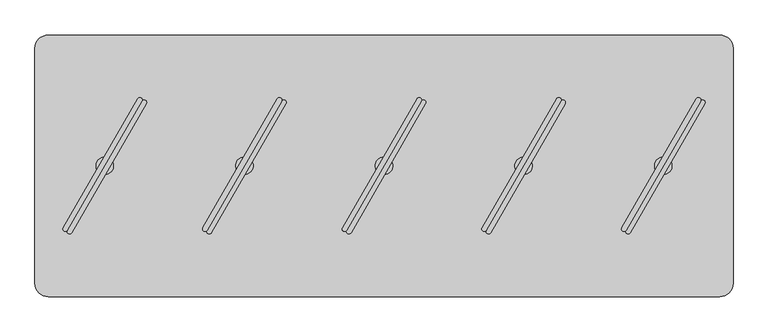
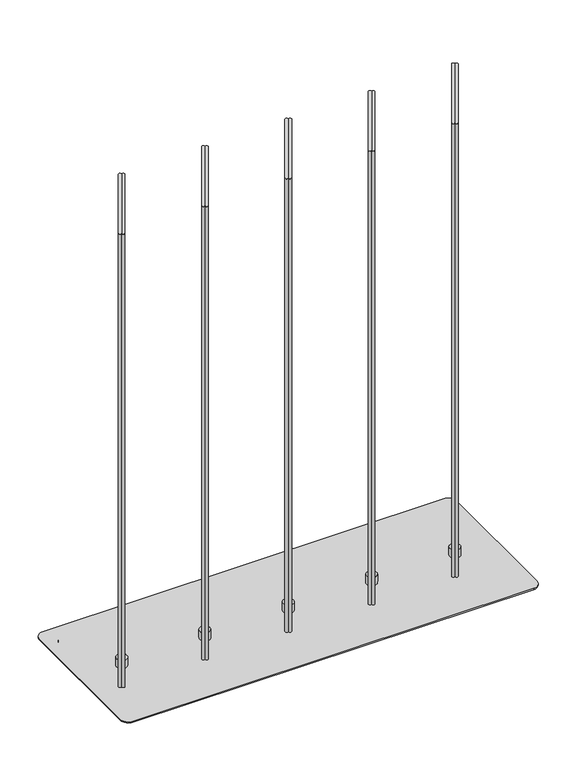
"""IFC4 building model written with IfcOpenShell, lengths in millimetres: furniture geometry."""

from ifc_helpers import new_model, si_unit, point, frame, frame_2d, origin, origin_with_axes, place, context, project, spatial, polyline, circle_curve, trimmed, segment, composite_curve, outline, extrude, source, transform, mapped, element, save
from ifc_brep_helpers import plane_surface, cylinder_surface, advanced_brep


def furniture_2ea4980e(model_context):
    return source(origin(), model_context, "Body", "SolidModel", [
        extrude(outline(composite_curve([segment(polyline([(340.6144903, -160.9427833), (447.2724107, 23.7941539)]), True, "CONTINUOUS"), segment(trimmed(circle_curve(frame_2d((450.3034289, 22.0441947)), 3.4999184), [point((447.2724107, 23.7941539))], [point((453.3344472, 20.2942356))], False, "CARTESIAN"), True, "CONTINUOUS"), segment(polyline([(453.3344472, 20.2942356), (346.6765267, -164.4427017)]), True, "CONTINUOUS"), segment(trimmed(circle_curve(frame_2d((343.6455085, -162.6927425)), 3.4999184), [point((346.6765267, -164.4427017))], [point((340.6144903, -160.9427833))], False, "CARTESIAN"), True, "CONTINUOUS")], self_intersect=False)), frame((0.0, 0.0, 44.4119983), z_axis=(0.0, 0.0, 1.0), x_axis=(1.0, 0.0, 0.0)), (0.0, 0.0, 1.0), 1150.112),
        extrude(outline(composite_curve([segment(trimmed(circle_curve(frame_2d((349.707545, -166.1926609)), 3.4999184), [point((352.7385632, -167.9426201))], [point((346.6765267, -164.4427017))], False, "CARTESIAN"), True, "CONTINUOUS"), segment(polyline([(346.6765267, -164.4427017), (453.3344472, 20.2942356)]), True, "CONTINUOUS"), segment(trimmed(circle_curve(frame_2d((456.3654654, 18.5442764)), 3.4999184), [point((453.3344472, 20.2942356))], [point((459.3964836, 16.7943172))], False, "CARTESIAN"), True, "CONTINUOUS"), segment(polyline([(459.3964836, 16.7943172), (352.7385632, -167.9426201)]), True, "CONTINUOUS")], self_intersect=False)), frame((0.0, 0.0, 44.4119983), z_axis=(0.0, 0.0, 1.0), x_axis=(1.0, 0.0, 0.0)), (0.0, 0.0, 1.0), 1150.112),
        advanced_brep(
        [(399.9992, -84.5709522, 44.4119983), (399.9992, -59.5748171, 44.4119983), (399.9992, -59.5748171, 23.6755986), (399.9992, -84.5709522, 23.6755986), (399.9992, -72.0728847, 44.4119983), (399.9992, -72.0728847, 23.6755986)],
        [
            (0, 1, circle_curve(frame((399.9992, -72.0728847, 44.4119983), z_axis=(0.0, 0.0, -1.0), x_axis=(0.0, 1.0, 0.0)), 12.4980675)),
            (1, 2),
            (2, 3, circle_curve(frame((399.9992, -72.0728847, 23.6755986), z_axis=(0.0, 0.0, 1.0), x_axis=(0.0, 1.0, 0.0)), 12.4980675)),
            (3, 0),
            (4, 1),
            (0, 4),
            (0, 1, circle_curve(frame((399.9992, -72.0728847, 44.4119983), z_axis=(0.0, 0.0, 1.0), x_axis=(0.0, 1.0, 0.0)), 12.4980675)),
            (2, 5),
            (5, 3),
            (2, 3, circle_curve(frame((399.9992, -72.0728847, 23.6755986), z_axis=(0.0, 0.0, -1.0), x_axis=(0.0, 1.0, 0.0)), 12.4980675)),
        ],
        [
            cylinder_surface(frame((399.9992, -72.0728847, 51.9527758), z_axis=(0.0, 0.0, 1.0), x_axis=(0.0, 1.0, 0.0)), 12.4980675),
            plane_surface(frame((399.9992, -72.0728847, 44.4119983), z_axis=(0.0, 0.0, 1.0), x_axis=(0.0, 1.0, 0.0))),
            plane_surface(frame((399.9992, -72.0728847, 23.6755986), z_axis=(0.0, 0.0, -1.0), x_axis=(0.0, 1.0, 0.0))),
        ],
        [
            (0, [[1, 2, 3, 4]]),
            (1, [[5, -1, 6]]),
            (1, [[-6, 7, -5]]),
            (2, [[-3, 8, 9]]),
            (2, [[10, -9, -8]]),
            (0, [[-7, -4, -10, -2]]),
        ],
    ),
        extrude(outline(composite_curve([segment(polyline([(140.6148903, -160.9427833), (247.2728107, 23.7941539)]), True, "CONTINUOUS"), segment(trimmed(circle_curve(frame_2d((250.3038289, 22.0441947)), 3.4999184), [point((247.2728107, 23.7941539))], [point((253.3348472, 20.2942356))], False, "CARTESIAN"), True, "CONTINUOUS"), segment(polyline([(253.3348472, 20.2942356), (146.6769267, -164.4427017)]), True, "CONTINUOUS"), segment(trimmed(circle_curve(frame_2d((143.6459085, -162.6927425)), 3.4999184), [point((146.6769267, -164.4427017))], [point((140.6148903, -160.9427833))], False, "CARTESIAN"), True, "CONTINUOUS")], self_intersect=False)), frame((0.0, 0.0, 44.4119983), z_axis=(0.0, 0.0, 1.0), x_axis=(1.0, 0.0, 0.0)), (0.0, 0.0, 1.0), 1150.112),
        extrude(outline(composite_curve([segment(trimmed(circle_curve(frame_2d((149.707945, -166.1926609)), 3.4999184), [point((152.7389632, -167.9426201))], [point((146.6769267, -164.4427017))], False, "CARTESIAN"), True, "CONTINUOUS"), segment(polyline([(146.6769267, -164.4427017), (253.3348472, 20.2942356)]), True, "CONTINUOUS"), segment(trimmed(circle_curve(frame_2d((256.3658654, 18.5442764)), 3.4999184), [point((253.3348472, 20.2942356))], [point((259.3968836, 16.7943172))], False, "CARTESIAN"), True, "CONTINUOUS"), segment(polyline([(259.3968836, 16.7943172), (152.7389632, -167.9426201)]), True, "CONTINUOUS")], self_intersect=False)), frame((0.0, 0.0, 44.4119983), z_axis=(0.0, 0.0, 1.0), x_axis=(1.0, 0.0, 0.0)), (0.0, 0.0, 1.0), 1150.112),
        advanced_brep(
        [(199.9996, -84.5709522, 44.4119983), (199.9996, -59.5748171, 44.4119983), (199.9996, -59.5748171, 23.6755986), (199.9996, -84.5709522, 23.6755986), (199.9996, -72.0728847, 44.4119983), (199.9996, -72.0728847, 23.6755986)],
        [
            (0, 1, circle_curve(frame((199.9996, -72.0728847, 44.4119983), z_axis=(0.0, 0.0, -1.0), x_axis=(0.0, 1.0, 0.0)), 12.4980675)),
            (1, 2),
            (2, 3, circle_curve(frame((199.9996, -72.0728847, 23.6755986), z_axis=(0.0, 0.0, 1.0), x_axis=(0.0, 1.0, 0.0)), 12.4980675)),
            (3, 0),
            (4, 1),
            (0, 4),
            (0, 1, circle_curve(frame((199.9996, -72.0728847, 44.4119983), z_axis=(0.0, 0.0, 1.0), x_axis=(0.0, 1.0, 0.0)), 12.4980675)),
            (2, 5),
            (5, 3),
            (2, 3, circle_curve(frame((199.9996, -72.0728847, 23.6755986), z_axis=(0.0, 0.0, -1.0), x_axis=(0.0, 1.0, 0.0)), 12.4980675)),
        ],
        [
            cylinder_surface(frame((199.9996, -72.0728847, 51.9527758), z_axis=(0.0, 0.0, 1.0), x_axis=(0.0, 1.0, 0.0)), 12.4980675),
            plane_surface(frame((199.9996, -72.0728847, 44.4119983), z_axis=(0.0, 0.0, 1.0), x_axis=(0.0, 1.0, 0.0))),
            plane_surface(frame((199.9996, -72.0728847, 23.6755986), z_axis=(0.0, 0.0, -1.0), x_axis=(0.0, 1.0, 0.0))),
        ],
        [
            (0, [[1, 2, 3, 4]]),
            (1, [[5, -1, 6]]),
            (1, [[-6, 7, -5]]),
            (2, [[-3, 8, 9]]),
            (2, [[10, -9, -8]]),
            (0, [[-7, -4, -10, -2]]),
        ],
    ),
        extrude(outline(composite_curve([segment(polyline([(-459.3839097, -160.9427833), (-352.7259893, 23.7941539)]), True, "CONTINUOUS"), segment(trimmed(circle_curve(frame_2d((-349.6949711, 22.0441947)), 3.4999184), [point((-352.7259893, 23.7941539))], [point((-346.6639528, 20.2942356))], False, "CARTESIAN"), True, "CONTINUOUS"), segment(polyline([(-346.6639528, 20.2942356), (-453.3218733, -164.4427017)]), True, "CONTINUOUS"), segment(trimmed(circle_curve(frame_2d((-456.3528915, -162.6927425)), 3.4999184), [point((-453.3218733, -164.4427017))], [point((-459.3839097, -160.9427833))], False, "CARTESIAN"), True, "CONTINUOUS")], self_intersect=False)), frame((0.0, 0.0, 44.4119983), z_axis=(0.0, 0.0, 1.0), x_axis=(1.0, 0.0, 0.0)), (0.0, 0.0, 1.0), 1150.112),
        extrude(outline(composite_curve([segment(trimmed(circle_curve(frame_2d((-450.290855, -166.1926609)), 3.4999184), [point((-447.2598368, -167.9426201))], [point((-453.3218733, -164.4427017))], False, "CARTESIAN"), True, "CONTINUOUS"), segment(polyline([(-453.3218733, -164.4427017), (-346.6639528, 20.2942356)]), True, "CONTINUOUS"), segment(trimmed(circle_curve(frame_2d((-343.6329346, 18.5442764)), 3.4999184), [point((-346.6639528, 20.2942356))], [point((-340.6019164, 16.7943172))], False, "CARTESIAN"), True, "CONTINUOUS"), segment(polyline([(-340.6019164, 16.7943172), (-447.2598368, -167.9426201)]), True, "CONTINUOUS")], self_intersect=False)), frame((0.0, 0.0, 44.4119983), z_axis=(0.0, 0.0, 1.0), x_axis=(1.0, 0.0, 0.0)), (0.0, 0.0, 1.0), 1150.112),
        advanced_brep(
        [(-399.9992, -84.5709522, 44.4119983), (-399.9992, -59.5748171, 44.4119983), (-399.9992, -59.5748171, 23.6755986), (-399.9992, -84.5709522, 23.6755986), (-399.9992, -72.0728847, 44.4119983), (-399.9992, -72.0728847, 23.6755986)],
        [
            (0, 1, circle_curve(frame((-399.9992, -72.0728847, 44.4119983), z_axis=(0.0, 0.0, -1.0), x_axis=(0.0, 1.0, 0.0)), 12.4980675)),
            (1, 2),
            (2, 3, circle_curve(frame((-399.9992, -72.0728847, 23.6755986), z_axis=(0.0, 0.0, 1.0), x_axis=(0.0, 1.0, 0.0)), 12.4980675)),
            (3, 0),
            (4, 1),
            (0, 4),
            (0, 1, circle_curve(frame((-399.9992, -72.0728847, 44.4119983), z_axis=(0.0, 0.0, 1.0), x_axis=(0.0, 1.0, 0.0)), 12.4980675)),
            (2, 5),
            (5, 3),
            (2, 3, circle_curve(frame((-399.9992, -72.0728847, 23.6755986), z_axis=(0.0, 0.0, -1.0), x_axis=(0.0, 1.0, 0.0)), 12.4980675)),
        ],
        [
            cylinder_surface(frame((-399.9992, -72.0728847, 51.9527758), z_axis=(0.0, 0.0, 1.0), x_axis=(0.0, 1.0, 0.0)), 12.4980675),
            plane_surface(frame((-399.9992, -72.0728847, 44.4119983), z_axis=(0.0, 0.0, 1.0), x_axis=(0.0, 1.0, 0.0))),
            plane_surface(frame((-399.9992, -72.0728847, 23.6755986), z_axis=(0.0, 0.0, -1.0), x_axis=(0.0, 1.0, 0.0))),
        ],
        [
            (0, [[1, 2, 3, 4]]),
            (1, [[5, -1, 6]]),
            (1, [[-6, 7, -5]]),
            (2, [[-3, 8, 9]]),
            (2, [[10, -9, -8]]),
            (0, [[-7, -4, -10, -2]]),
        ],
    ),
        extrude(outline(composite_curve([segment(polyline([(-59.3847097, -160.9427833), (47.2732107, 23.7941539)]), True, "CONTINUOUS"), segment(trimmed(circle_curve(frame_2d((50.3042289, 22.0441947)), 3.4999184), [point((47.2732107, 23.7941539))], [point((53.3352472, 20.2942356))], False, "CARTESIAN"), True, "CONTINUOUS"), segment(polyline([(53.3352472, 20.2942356), (-53.3226733, -164.4427017)]), True, "CONTINUOUS"), segment(trimmed(circle_curve(frame_2d((-56.3536915, -162.6927425)), 3.4999184), [point((-53.3226733, -164.4427017))], [point((-59.3847097, -160.9427833))], False, "CARTESIAN"), True, "CONTINUOUS")], self_intersect=False)), frame((0.0, 0.0, 44.4119983), z_axis=(0.0, 0.0, 1.0), x_axis=(1.0, 0.0, 0.0)), (0.0, 0.0, 1.0), 1150.112),
        extrude(outline(composite_curve([segment(trimmed(circle_curve(frame_2d((-50.291655, -166.1926609)), 3.4999184), [point((-47.2606368, -167.9426201))], [point((-53.3226733, -164.4427017))], False, "CARTESIAN"), True, "CONTINUOUS"), segment(polyline([(-53.3226733, -164.4427017), (53.3352472, 20.2942356)]), True, "CONTINUOUS"), segment(trimmed(circle_curve(frame_2d((56.3662654, 18.5442764)), 3.4999184), [point((53.3352472, 20.2942356))], [point((59.3972836, 16.7943172))], False, "CARTESIAN"), True, "CONTINUOUS"), segment(polyline([(59.3972836, 16.7943172), (-47.2606368, -167.9426201)]), True, "CONTINUOUS")], self_intersect=False)), frame((0.0, 0.0, 44.4119983), z_axis=(0.0, 0.0, 1.0), x_axis=(1.0, 0.0, 0.0)), (0.0, 0.0, 1.0), 1150.112),
        advanced_brep(
        [(0.0, -84.5709522, 44.4119983), (0.0, -59.5748171, 44.4119983), (0.0, -59.5748171, 23.6755986), (0.0, -84.5709522, 23.6755986), (0.0, -72.0728847, 44.4119983), (0.0, -72.0728847, 23.6755986)],
        [
            (0, 1, circle_curve(frame((0.0, -72.0728847, 44.4119983), z_axis=(0.0, 0.0, -1.0), x_axis=(0.0, 1.0, 0.0)), 12.4980675)),
            (1, 2),
            (2, 3, circle_curve(frame((0.0, -72.0728847, 23.6755986), z_axis=(0.0, 0.0, 1.0), x_axis=(0.0, 1.0, 0.0)), 12.4980675)),
            (3, 0),
            (4, 1),
            (0, 4),
            (0, 1, circle_curve(frame((0.0, -72.0728847, 44.4119983), z_axis=(0.0, 0.0, 1.0), x_axis=(0.0, 1.0, 0.0)), 12.4980675)),
            (2, 5),
            (5, 3),
            (2, 3, circle_curve(frame((0.0, -72.0728847, 23.6755986), z_axis=(0.0, 0.0, -1.0), x_axis=(0.0, 1.0, 0.0)), 12.4980675)),
        ],
        [
            cylinder_surface(frame((0.0, -72.0728847, 51.9527758), z_axis=(0.0, 0.0, 1.0), x_axis=(0.0, 1.0, 0.0)), 12.4980675),
            plane_surface(frame((0.0, -72.0728847, 44.4119983), z_axis=(0.0, 0.0, 1.0), x_axis=(0.0, 1.0, 0.0))),
            plane_surface(frame((0.0, -72.0728847, 23.6755986), z_axis=(0.0, 0.0, -1.0), x_axis=(0.0, 1.0, 0.0))),
        ],
        [
            (0, [[1, 2, 3, 4]]),
            (1, [[5, -1, 6]]),
            (1, [[-6, 7, -5]]),
            (2, [[-3, 8, 9]]),
            (2, [[10, -9, -8]]),
            (0, [[-7, -4, -10, -2]]),
        ],
    ),
        extrude(outline(composite_curve([segment(polyline([(-259.3843097, -160.9427833), (-152.7263893, 23.7941539)]), True, "CONTINUOUS"), segment(trimmed(circle_curve(frame_2d((-149.6953711, 22.0441947)), 3.4999184), [point((-152.7263893, 23.7941539))], [point((-146.6643528, 20.2942356))], False, "CARTESIAN"), True, "CONTINUOUS"), segment(polyline([(-146.6643528, 20.2942356), (-253.3222733, -164.4427017)]), True, "CONTINUOUS"), segment(trimmed(circle_curve(frame_2d((-256.3532915, -162.6927425)), 3.4999184), [point((-253.3222733, -164.4427017))], [point((-259.3843097, -160.9427833))], False, "CARTESIAN"), True, "CONTINUOUS")], self_intersect=False)), frame((0.0, 0.0, 44.4119983), z_axis=(0.0, 0.0, 1.0), x_axis=(1.0, 0.0, 0.0)), (0.0, 0.0, 1.0), 1150.112),
        extrude(outline(composite_curve([segment(trimmed(circle_curve(frame_2d((-250.291255, -166.1926609)), 3.4999184), [point((-247.2602368, -167.9426201))], [point((-253.3222733, -164.4427017))], False, "CARTESIAN"), True, "CONTINUOUS"), segment(polyline([(-253.3222733, -164.4427017), (-146.6643528, 20.2942356)]), True, "CONTINUOUS"), segment(trimmed(circle_curve(frame_2d((-143.6333346, 18.5442764)), 3.4999184), [point((-146.6643528, 20.2942356))], [point((-140.6023164, 16.7943172))], False, "CARTESIAN"), True, "CONTINUOUS"), segment(polyline([(-140.6023164, 16.7943172), (-247.2602368, -167.9426201)]), True, "CONTINUOUS")], self_intersect=False)), frame((0.0, 0.0, 44.4119983), z_axis=(0.0, 0.0, 1.0), x_axis=(1.0, 0.0, 0.0)), (0.0, 0.0, 1.0), 1150.112),
        advanced_brep(
        [(-199.9996, -84.5709522, 44.4119983), (-199.9996, -59.5748171, 44.4119983), (-199.9996, -59.5748171, 23.6755986), (-199.9996, -84.5709522, 23.6755986), (-199.9996, -72.0728847, 44.4119983), (-199.9996, -72.0728847, 23.6755986)],
        [
            (0, 1, circle_curve(frame((-199.9996, -72.0728847, 44.4119983), z_axis=(0.0, 0.0, -1.0), x_axis=(0.0, 1.0, 0.0)), 12.4980675)),
            (1, 2),
            (2, 3, circle_curve(frame((-199.9996, -72.0728847, 23.6755986), z_axis=(0.0, 0.0, 1.0), x_axis=(0.0, 1.0, 0.0)), 12.4980675)),
            (3, 0),
            (4, 1),
            (0, 4),
            (0, 1, circle_curve(frame((-199.9996, -72.0728847, 44.4119983), z_axis=(0.0, 0.0, 1.0), x_axis=(0.0, 1.0, 0.0)), 12.4980675)),
            (2, 5),
            (5, 3),
            (2, 3, circle_curve(frame((-199.9996, -72.0728847, 23.6755986), z_axis=(0.0, 0.0, -1.0), x_axis=(0.0, 1.0, 0.0)), 12.4980675)),
        ],
        [
            cylinder_surface(frame((-199.9996, -72.0728847, 51.9527758), z_axis=(0.0, 0.0, 1.0), x_axis=(0.0, 1.0, 0.0)), 12.4980675),
            plane_surface(frame((-199.9996, -72.0728847, 44.4119983), z_axis=(0.0, 0.0, 1.0), x_axis=(0.0, 1.0, 0.0))),
            plane_surface(frame((-199.9996, -72.0728847, 23.6755986), z_axis=(0.0, 0.0, -1.0), x_axis=(0.0, 1.0, 0.0))),
        ],
        [
            (0, [[1, 2, 3, 4]]),
            (1, [[5, -1, 6]]),
            (1, [[-6, 7, -5]]),
            (2, [[-3, 8, 9]]),
            (2, [[10, -9, -8]]),
            (0, [[-7, -4, -10, -2]]),
        ],
    ),
        extrude(outline(composite_curve([segment(polyline([(-450.7865, 85.2691143), (450.7865, 85.2691143)]), True, "CONTINUOUS"), segment(trimmed(circle_curve(frame_2d((450.7865, 66.2191143)), 19.05), [point((450.7865, 85.2691143))], [point((469.8365, 66.2191143))], False, "CARTESIAN"), True, "CONTINUOUS"), segment(polyline([(469.8365, 66.2191143), (469.8365, -210.3648972)]), True, "CONTINUOUS"), segment(trimmed(circle_curve(frame_2d((450.7865, -210.3648972)), 19.05), [point((469.8365, -210.3648972))], [point((450.7865, -229.4148972))], False, "CARTESIAN"), True, "CONTINUOUS"), segment(polyline([(450.7865, -229.4148972), (-450.7865, -229.4148972)]), True, "CONTINUOUS"), segment(trimmed(circle_curve(frame_2d((-450.7865, -210.3648972)), 19.05), [point((-450.7865, -229.4148972))], [point((-469.8365, -210.3648972))], False, "CARTESIAN"), True, "CONTINUOUS"), segment(polyline([(-469.8365, -210.3648972), (-469.8365, 66.2191143)]), True, "CONTINUOUS"), segment(trimmed(circle_curve(frame_2d((-450.7865, 66.2191143)), 19.05), [point((-469.8365, 66.2191143))], [point((-450.7865, 85.2691143))], False, "CARTESIAN"), True, "CONTINUOUS")], self_intersect=False)), origin_with_axes(), (0.0, 0.0, 1.0), 20.6756),
        extrude(outline(composite_curve([segment(trimmed(circle_curve(frame_2d((480.949, 96.2021153)), 19.05), [point((480.949, 115.2521153))], [point((499.999, 96.2021153))], False, "CARTESIAN"), True, "CONTINUOUS"), segment(polyline([(499.999, 96.2021153), (499.999, -240.3478847)]), True, "CONTINUOUS"), segment(trimmed(circle_curve(frame_2d((480.949, -240.3478847)), 19.05), [point((499.999, -240.3478847))], [point((480.949, -259.3978847))], False, "CARTESIAN"), True, "CONTINUOUS"), segment(polyline([(480.949, -259.3978847), (-480.949, -259.3978847)]), True, "CONTINUOUS"), segment(trimmed(circle_curve(frame_2d((-480.949, -240.3478847)), 19.05), [point((-480.949, -259.3978847))], [point((-499.999, -240.3478847))], False, "CARTESIAN"), True, "CONTINUOUS"), segment(polyline([(-499.999, -240.3478847), (-499.999, 96.2021153)]), True, "CONTINUOUS"), segment(trimmed(circle_curve(frame_2d((-480.949, 96.2021153)), 19.05), [point((-499.999, 96.2021153))], [point((-480.949, 115.2521153))], False, "CARTESIAN"), True, "CONTINUOUS"), segment(polyline([(-480.949, 115.2521153), (480.949, 115.2521153)]), True, "CONTINUOUS")], self_intersect=False)), frame((0.0, 0.0, 20.6756), z_axis=(0.0, 0.0, 1.0), x_axis=(1.0, 0.0, 0.0)), (0.0, 0.0, 1.0), 2.9999986),
    ])


if __name__ == "__main__":
    model = new_model("IFC4")
    model_context = context("Model", 3, world=origin())
    ifc_project = project(units=[si_unit("LENGTHUNIT", "METRE", prefix="MILLI")], contexts=[model_context])
    site = spatial("IfcSite", under=ifc_project)
    building = spatial("IfcBuilding", under=site)
    placement = place(None, origin())
    furniture_shape = furniture_2ea4980e(model_context)
    element("IfcFurniture", 1, at=placement, inside=building, context=model_context, shape_type="MappedRepresentation", body=[
        mapped(furniture_shape, transform((0.0, 0.0, 0.0), x_axis=(1.0, 0.0, 0.0), y_axis=(0.0, 1.0, 0.0), z_axis=(0.0, 0.0, 1.0))),
    ])
    save(model, "model.ifc")
